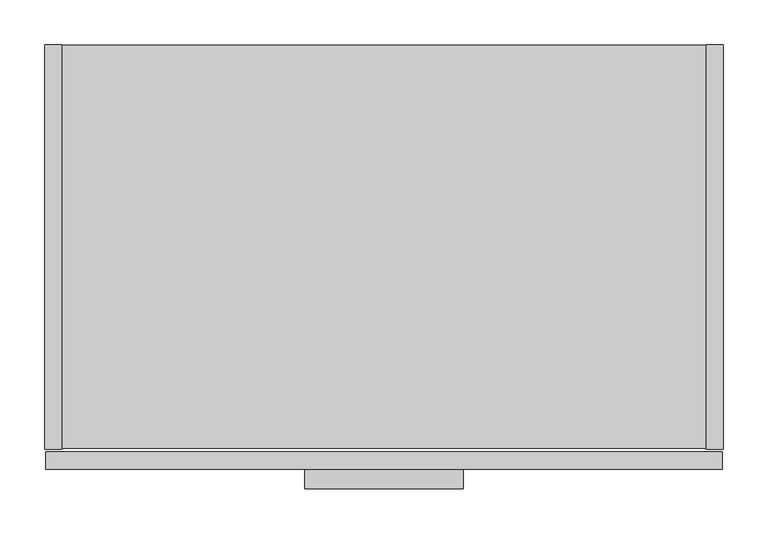
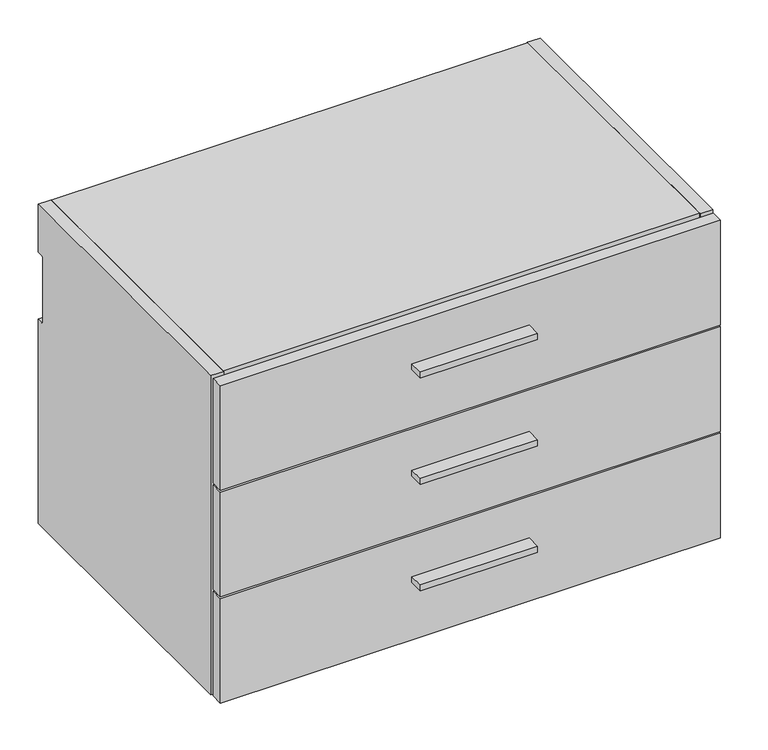
"""IFC4 building model written with IfcOpenShell, lengths in millimetres: furniture geometry."""

import ifcopenshell
import ifcopenshell.guid

model = None  # the IFC model being written
_history = None  # IfcOwnerHistory: only IFC2X3 demands one
_inside = {}  # id of a spatial element -> (the spatial element, [elements in it])
_under = {}  # id of a project, library or spatial element -> (it, [spatial elements below it])
_declared = {}  # id of a project -> (the project, [libraries it declares])
_typed = {}  # id of a type object -> (the type object, [elements of that type])
_made_of = {}  # id of a material, layer set ... -> (it, [elements and type objects made of it])


def new_model(schema):
    """Start an empty IFC model of exactly this schema.

    Asked for "IFC4X3", IfcOpenShell would pick the latest addendum, in which some entities
    have other attributes; the version numbers below select the first issue.
    IFC2X3 requires an IfcOwnerHistory on every rooted entity: one is made here for all.
    """
    global model, _history
    if schema == "IFC4X3":
        model = ifcopenshell.file(schema_version=(4, 3, 0, 0))
    else:
        model = ifcopenshell.file(schema=schema)
    _inside.clear()
    _under.clear()
    _declared.clear()
    _typed.clear()
    _made_of.clear()
    _history = None
    if model.schema == "IFC2X3":
        org = make("IfcOrganization", Name="unknown")
        user = make(
            "IfcPersonAndOrganization",
            ThePerson=make("IfcPerson", FamilyName="unknown"),
            TheOrganization=org,
        )
        app = make(
            "IfcApplication",
            ApplicationDeveloper=org,
            Version="unknown",
            ApplicationFullName="unknown",
            ApplicationIdentifier="unknown",
        )
        _history = make(
            "IfcOwnerHistory",
            OwningUser=user,
            OwningApplication=app,
            ChangeAction="ADDED",
            CreationDate=0,
        )
    return model


def make(cls, **values):
    """One entity of the class cls with the attributes given. An attribute that is None is left unset."""
    return model.create_entity(
        cls, **{name: value for name, value in values.items() if value is not None}
    )


def rooted(cls, **values):
    """An entity with a GlobalId (a new one), such as an element, a storey or a relation."""
    return make(cls, GlobalId=ifcopenshell.guid.new(), OwnerHistory=_history, **values)


def si_unit(unit_type, name, prefix=None):
    """IfcSIUnit, for example si_unit("LENGTHUNIT", "METRE", prefix="MILLI")."""
    return make("IfcSIUnit", UnitType=unit_type, Prefix=prefix, Name=name)


def assignment(units):
    """IfcUnitAssignment: the units of a project."""
    return None if units is None else make("IfcUnitAssignment", Units=units)


def point(xyz):
    """IfcCartesianPoint."""
    return None if xyz is None else make("IfcCartesianPoint", Coordinates=xyz)


def direction(xyz):
    """IfcDirection."""
    return None if xyz is None else make("IfcDirection", DirectionRatios=xyz)


def frame(location, z_axis=None, x_axis=None):
    """IfcAxis2Placement3D, a coordinate frame: its origin and axes. An axis left out is left unset."""
    return make(
        "IfcAxis2Placement3D",
        Location=point(location),
        Axis=direction(z_axis),
        RefDirection=direction(x_axis),
    )


def frame_2d(location, x_axis=None):
    """IfcAxis2Placement2D, a coordinate frame in the plane: its origin and x axis."""
    return make(
        "IfcAxis2Placement2D", Location=point(location), RefDirection=direction(x_axis)
    )


def origin():
    """The frame at (0, 0, 0) with its axes left unset."""
    return frame((0.0, 0.0, 0.0))


def place(relative_to, where):
    """IfcLocalPlacement: puts the frame where relative to a parent placement (None: the world)."""
    return make(
        "IfcLocalPlacement", PlacementRelTo=relative_to, RelativePlacement=where
    )


def context(
    kind, dimensions, precision=None, world=None, true_north=None, identifier=None
):
    """IfcGeometricRepresentationContext, for example the 3D "Model" context."""
    return make(
        "IfcGeometricRepresentationContext",
        ContextIdentifier=identifier,
        ContextType=kind,
        CoordinateSpaceDimension=dimensions,
        Precision=precision,
        WorldCoordinateSystem=world,
        TrueNorth=true_north,
    )


def project(units=None, contexts=None):
    """IfcProject with its units and contexts."""
    return rooted(
        "IfcProject",
        Name="project",
        RepresentationContexts=contexts,
        UnitsInContext=assignment(units),
    )


def spatial(cls, under=None, at=None, **own):
    """A site, building, storey or space (cls), placed at a placement, below another one or the project."""
    s = rooted(cls, ObjectPlacement=at, **own)
    if under is not None:
        _under.setdefault(under.id(), (under, []))[1].append(s)
    return s


def polyline(points):
    """IfcPolyline through the points."""
    return make("IfcPolyline", Points=[point(p) for p in points])


def circle_curve(where, radius):
    """IfcCircle in the frame where."""
    return make("IfcCircle", Position=where, Radius=radius)


def trimmed(basis, trim1, trim2, sense, master):
    """IfcTrimmedCurve: the piece of a basis curve between two trims."""
    return make(
        "IfcTrimmedCurve",
        BasisCurve=basis,
        Trim1=trim1,
        Trim2=trim2,
        SenseAgreement=sense,
        MasterRepresentation=master,
    )


def segment(curve, same_sense, transition):
    """IfcCompositeCurveSegment."""
    return make(
        "IfcCompositeCurveSegment",
        Transition=transition,
        SameSense=same_sense,
        ParentCurve=curve,
    )


def composite_curve(segments, self_intersect=None):
    """IfcCompositeCurve: segments joined end to end."""
    return make("IfcCompositeCurve", Segments=segments, SelfIntersect=self_intersect)


def outline(outer, holes=None, kind="AREA"):
    """IfcArbitraryClosedProfileDef: a profile drawn as a closed curve; with holes, ...WithVoids."""
    if holes is None:
        return make("IfcArbitraryClosedProfileDef", ProfileType=kind, OuterCurve=outer)
    return make(
        "IfcArbitraryProfileDefWithVoids",
        ProfileType=kind,
        OuterCurve=outer,
        InnerCurves=holes,
    )


def extrude(swept, where, along, depth):
    """IfcExtrudedAreaSolid: the profile swept, set in the frame where, extruded along a direction by depth."""
    return make(
        "IfcExtrudedAreaSolid",
        SweptArea=swept,
        Position=where,
        ExtrudedDirection=direction(along),
        Depth=depth,
    )


def shape(context_of_items, identifier, shape_type, items):
    """IfcShapeRepresentation: the items that make up one representation, for example the "Body"."""
    return make(
        "IfcShapeRepresentation",
        ContextOfItems=context_of_items,
        RepresentationIdentifier=identifier,
        RepresentationType=shape_type,
        Items=items,
    )


def source(mapping_origin, context_of_items, identifier, shape_type, items):
    """IfcRepresentationMap: a shape defined once, which mapped items show again and again."""
    return make(
        "IfcRepresentationMap",
        MappingOrigin=mapping_origin,
        MappedRepresentation=shape(context_of_items, identifier, shape_type, items),
    )


def transform(
    local_origin,
    x_axis=None,
    y_axis=None,
    z_axis=None,
    scale=None,
    scale2=None,
    scale3=None,
    uniform=True,
):
    """IfcCartesianTransformationOperator3D, or its non-uniform kind. x_axis, y_axis, z_axis: its Axis1, 2, 3."""
    if uniform:
        return make(
            "IfcCartesianTransformationOperator3D",
            Axis1=direction(x_axis),
            Axis2=direction(y_axis),
            LocalOrigin=point(local_origin),
            Scale=scale,
            Axis3=direction(z_axis),
        )
    return make(
        "IfcCartesianTransformationOperator3DnonUniform",
        Axis1=direction(x_axis),
        Axis2=direction(y_axis),
        LocalOrigin=point(local_origin),
        Scale=scale,
        Axis3=direction(z_axis),
        Scale2=scale2,
        Scale3=scale3,
    )


def mapped(mapping_source, mapping_target):
    """IfcMappedItem: shows the shape of a source again, moved by a transform."""
    return make(
        "IfcMappedItem", MappingSource=mapping_source, MappingTarget=mapping_target
    )


def made_of(thing, what):
    """Note that an element or type object is made of a material, layer set ...; save() writes the relation."""
    if what is not None:
        _made_of.setdefault(what.id(), (what, []))[1].append(thing)
    return thing


def element(
    cls,
    number,
    at=None,
    inside=None,
    cuts=None,
    type_object=None,
    material=None,
    context=None,
    identifier="Body",
    shape_type=None,
    held_by="IfcProductDefinitionShape",
    body=None,
    shapes=None,
    **own,
):
    """One element of the class cls, such as IfcWall. Its Tag is "e" and its number.

    at: its placement. inside: the storey or other place that contains it. cuts: it is an
    opening in that element (IfcRelVoidsElement). A single representation is given by context,
    identifier, shape_type and body (its items); several are given by shapes. held_by: the class
    of the entity that holds the representations. save() writes the other relations.
    """
    e = rooted(cls, Tag="e%d" % number, ObjectPlacement=at, **own)
    if body is not None:
        shapes = [shape(context, identifier, shape_type, body)]
    if shapes is not None:
        e.Representation = make(held_by, Representations=shapes)
    if inside is not None:
        _inside.setdefault(inside.id(), (inside, []))[1].append(e)
    if cuts is not None:
        rooted(
            "IfcRelVoidsElement", RelatingBuildingElement=cuts, RelatedOpeningElement=e
        )
    if type_object is not None:
        _typed.setdefault(type_object.id(), (type_object, []))[1].append(e)
    return made_of(e, material)


def aggregate(whole, parts):
    """IfcRelAggregates: a whole, such as a stair, and the parts it consists of."""
    return rooted("IfcRelAggregates", RelatingObject=whole, RelatedObjects=parts)


def save(model, path):
    """Write the relations noted so far, then the file.

    IfcRelAggregates (storeys below a building ...), IfcRelContainedInSpatialStructure (elements
    in a storey), IfcRelDefinesByType, IfcRelAssociatesMaterial and IfcRelDeclares: one each for
    every whole, place, type object, material and project.
    """
    for whole, parts in _under.values():
        aggregate(whole, parts)
    for where, things in _inside.values():
        rooted(
            "IfcRelContainedInSpatialStructure",
            RelatedElements=things,
            RelatingStructure=where,
        )
    for kind, things in _typed.values():
        rooted("IfcRelDefinesByType", RelatedObjects=things, RelatingType=kind)
    for what, things in _made_of.values():
        rooted("IfcRelAssociatesMaterial", RelatedObjects=things, RelatingMaterial=what)
    for by, libraries in _declared.values():
        rooted("IfcRelDeclares", RelatingContext=by, RelatedDefinitions=libraries)
    model.write(path)


def furniture_48c98e59(model_context):
    return source(origin(), model_context, "Body", "SweptSolid", [
        extrude(outline(polyline([(469.9, -498.729), (292.1, -498.729), (292.1, -476.504), (469.9, -476.504), (469.9, -498.729)])), frame((0.0, 0.0, 759.1425), z_axis=(0.0, 0.0, 1.0), x_axis=(1.0, 0.0, 0.0)), (0.0, 0.0, 1.0), 9.525),
        extrude(outline(polyline([(469.9, -498.729), (292.1, -498.729), (292.1, -476.504), (469.9, -476.504), (469.9, -498.729)])), frame((0.0, 0.0, 588.2767), z_axis=(0.0, 0.0, 1.0), x_axis=(1.0, 0.0, 0.0)), (0.0, 0.0, 1.0), 9.525),
        extrude(outline(polyline([(469.9, -498.729), (292.1, -498.729), (292.1, -476.504), (469.9, -476.504), (469.9, -498.729)])), frame((0.0, 0.0, 417.4109), z_axis=(0.0, 0.0, 1.0), x_axis=(1.0, 0.0, 0.0)), (0.0, 0.0, 1.0), 9.525),
        extrude(outline(polyline([(760.4125, -476.504), (1.5875, -476.504), (1.5875, -457.2), (760.4125, -457.2), (760.4125, -476.504)])), frame((0.0, 0.0, 667.3342), z_axis=(0.0, 0.0, 1.0), x_axis=(1.0, 0.0, 0.0)), (0.0, 0.0, 1.0), 167.6908),
        extrude(outline(polyline([(760.4125, -476.504), (1.5875, -476.504), (1.5875, -457.2), (760.4125, -457.2), (760.4125, -476.504)])), frame((0.0, 0.0, 496.4684), z_axis=(0.0, 0.0, 1.0), x_axis=(1.0, 0.0, 0.0)), (0.0, 0.0, 1.0), 167.6908),
        extrude(outline(polyline([(760.4125, -476.504), (1.5875, -476.504), (1.5875, -457.2), (760.4125, -457.2), (760.4125, -476.504)])), frame((0.0, 0.0, 325.6026), z_axis=(0.0, 0.0, 1.0), x_axis=(1.0, 0.0, 0.0)), (0.0, 0.0, 1.0), 167.6908),
        extrude(outline(polyline([(762.0, 0.0), (762.0, -454.025), (742.696, -454.025), (742.696, 0.0), (762.0, 0.0)])), frame((0.0, 0.0, 325.628), z_axis=(0.0, 0.0, 1.0), x_axis=(1.0, 0.0, 0.0)), (0.0, 0.0, 1.0), 512.572),
        extrude(outline(polyline([(742.696, -0.9906), (742.696, -453.0344), (19.304, -453.0344), (19.304, -0.9906), (742.696, -0.9906)])), frame((0.0, 0.0, 326.6186), z_axis=(0.0, 0.0, 1.0), x_axis=(1.0, 0.0, 0.0)), (0.0, 0.0, 1.0), 19.304),
        extrude(outline(composite_curve([segment(polyline([(-32.004, 818.896), (-11.938, 818.896), (-11.938, 760.2988429)]), True, "CONTINUOUS"), segment(trimmed(circle_curve(frame_2d((-9.3963729, 758.1883729)), 3.3036271), [point((-11.938, 760.2988429))], [point((-12.7, 758.1883729))], True, "CARTESIAN"), True, "CONTINUOUS"), segment(polyline([(-12.7, 758.1883729), (-12.7, 656.844)]), True, "CONTINUOUS"), segment(trimmed(circle_curve(frame_2d((-9.398, 656.844)), 3.302), [point((-12.7, 656.844))], [point((-11.938, 654.7341175))], True, "CARTESIAN"), True, "CONTINUOUS"), segment(polyline([(-11.938, 654.7341175), (-11.938, 345.9226), (-32.004, 345.9226), (-32.004, 818.896)]), True, "CONTINUOUS")], self_intersect=False)), frame((19.304, 0.0, 0.0), z_axis=(1.0, 0.0, 0.0), x_axis=(0.0, 1.0, 0.0)), (0.0, 0.0, 1.0), 723.392),
        extrude(outline(composite_curve([segment(polyline([(-454.025, 838.2), (0.0, 838.2), (0.0, 761.492), (-9.3963729, 761.492)]), True, "CONTINUOUS"), segment(trimmed(circle_curve(frame_2d((-9.3963729, 758.1883729)), 3.3036271), [point((-9.3963729, 761.492))], [point((-12.7, 758.1883729))], True, "CARTESIAN"), True, "CONTINUOUS"), segment(polyline([(-12.7, 758.1883729), (-12.7, 656.844)]), True, "CONTINUOUS"), segment(trimmed(circle_curve(frame_2d((-9.398, 656.844)), 3.302), [point((-12.7, 656.844))], [point((-9.398, 653.542))], True, "CARTESIAN"), True, "CONTINUOUS"), segment(polyline([(-9.398, 653.542), (0.0, 653.542), (0.0, 325.628), (-454.025, 325.628), (-454.025, 838.2)]), True, "CONTINUOUS")], self_intersect=False)), frame((0.0, 0.0, 0.0), z_axis=(1.0, 0.0, 0.0), x_axis=(0.0, 1.0, 0.0)), (0.0, 0.0, 1.0), 19.304),
        extrude(outline(polyline([(742.696, -453.0344), (19.304, -453.0344), (19.304, -0.9906), (742.696, -0.9906), (742.696, -453.0344)])), frame((0.0, 0.0, 818.896), z_axis=(0.0, 0.0, 1.0), x_axis=(1.0, 0.0, 0.0)), (0.0, 0.0, 1.0), 19.304),
    ])


if __name__ == "__main__":
    model = new_model("IFC4")
    model_context = context("Model", 3, world=origin())
    ifc_project = project(units=[si_unit("LENGTHUNIT", "METRE", prefix="MILLI")], contexts=[model_context])
    site = spatial("IfcSite", under=ifc_project)
    building = spatial("IfcBuilding", under=site)
    placement = place(None, origin())
    furniture_shape = furniture_48c98e59(model_context)
    element("IfcFurniture", 1, at=placement, inside=building, context=model_context, shape_type="MappedRepresentation", body=[
        mapped(furniture_shape, transform((0.0, 0.0, 0.0), x_axis=(1.0, 0.0, 0.0), y_axis=(0.0, 1.0, 0.0), z_axis=(0.0, 0.0, 1.0))),
    ])
    save(model, "model.ifc")
